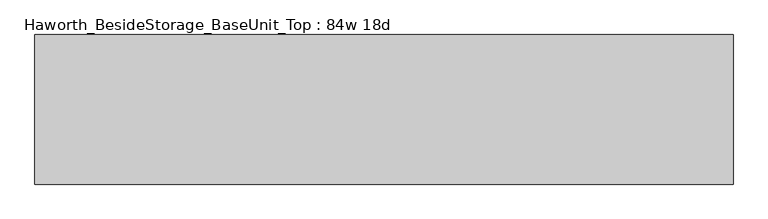
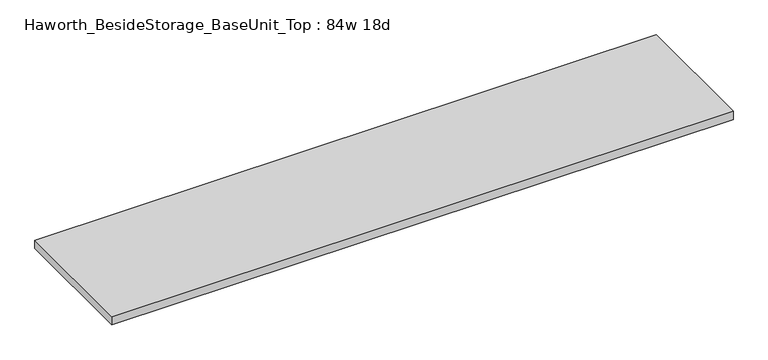
"""IFC4 building model written with IfcOpenShell, lengths in millimetres: furniture geometry, Haworth_BesideStorage_BaseUnit_Top : 84w 18d."""

from ifc_helpers import new_model, si_unit, frame, origin, place, context, project, spatial, polyline, outline, extrude, source, transform, mapped, element, save


def haworth_besidestorage_baseunit_top_84w_18d_fab7a251(model_context):
    return source(origin(), model_context, "Body", "SweptSolid", [
        extrude(outline(polyline([(1066.8, 228.6), (1066.8, -228.6), (-1066.8, -228.6), (-1066.8, 228.6), (1066.8, 228.6)])), frame((0.0, 0.0, 706.4375), z_axis=(0.0, 0.0, 1.0), x_axis=(1.0, 0.0, 0.0)), (0.0, 0.0, 1.0), 30.1625),
    ])


if __name__ == "__main__":
    model = new_model("IFC4")
    model_context = context("Model", 3, world=origin())
    ifc_project = project(units=[si_unit("LENGTHUNIT", "METRE", prefix="MILLI")], contexts=[model_context])
    site = spatial("IfcSite", under=ifc_project)
    building = spatial("IfcBuilding", under=site)
    placement = place(None, origin())
    haworth_besidestorage_baseunit_top_84w_18d_shape = haworth_besidestorage_baseunit_top_84w_18d_fab7a251(model_context)
    element("IfcFurniture", 1, ObjectType="Haworth_BesideStorage_BaseUnit_Top : 84w 18d", at=placement, inside=building, context=model_context, shape_type="MappedRepresentation", body=[
        mapped(haworth_besidestorage_baseunit_top_84w_18d_shape, transform((0.0, 0.0, 0.0), x_axis=(1.0, 0.0, 0.0), y_axis=(0.0, 1.0, 0.0), z_axis=(0.0, 0.0, 1.0))),
    ])
    save(model, "model.ifc")
